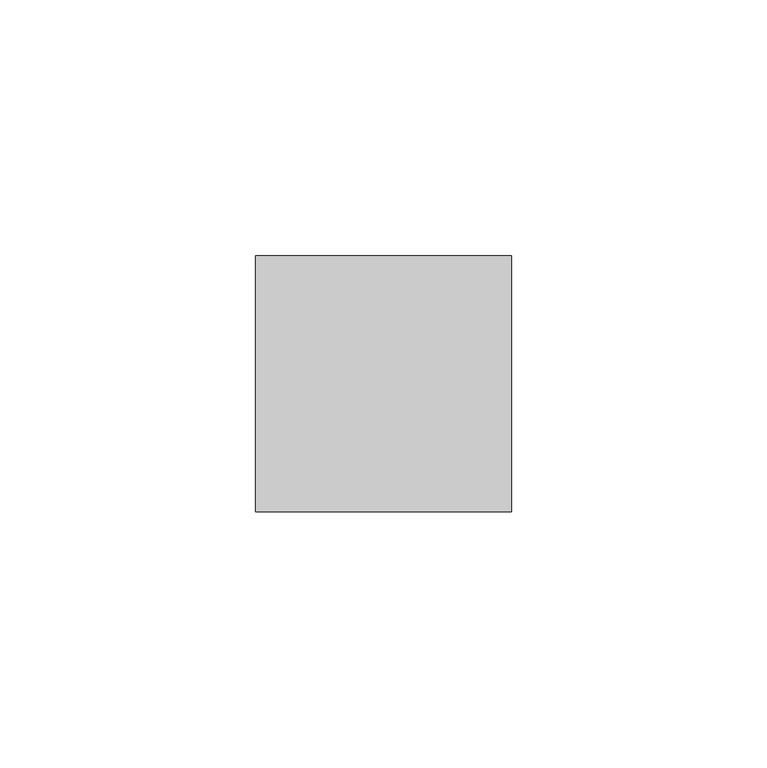
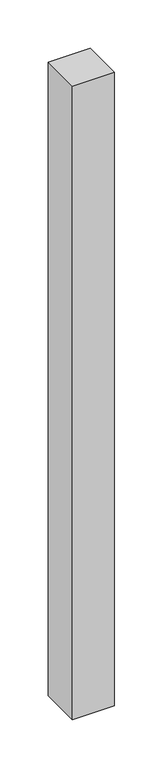
"""IFC4 building model written with IfcOpenShell, lengths in millimetres: member geometry."""

from ifc_helpers import new_model, si_unit, frame, origin, place, context, project, spatial, polyline, outline, extrude, source, transform, mapped, element, save


def member_cb55ee1b(model_context):
    return source(origin(), model_context, "Body", "SweptSolid", [
        extrude(outline(polyline([(0.0, 25.0), (0.0, -25.0), (-50.0, -25.0), (-50.0, 25.0), (0.0, 25.0)])), frame((0.0, 0.0, -800.0), z_axis=(0.0, 0.0, 1.0), x_axis=(1.0, 0.0, 0.0)), (0.0, 0.0, 1.0), 800.0),
    ])


if __name__ == "__main__":
    model = new_model("IFC4")
    model_context = context("Model", 3, world=origin())
    ifc_project = project(units=[si_unit("LENGTHUNIT", "METRE", prefix="MILLI")], contexts=[model_context])
    site = spatial("IfcSite", under=ifc_project)
    building = spatial("IfcBuilding", under=site)
    placement = place(None, origin())
    member_shape = member_cb55ee1b(model_context)
    element("IfcMember", 1, at=placement, inside=building, context=model_context, shape_type="MappedRepresentation", body=[
        mapped(member_shape, transform((0.0, 0.0, 0.0), x_axis=(1.0, 0.0, 0.0), y_axis=(0.0, 1.0, 0.0), z_axis=(0.0, 0.0, 1.0))),
    ])
    save(model, "model.ifc")
